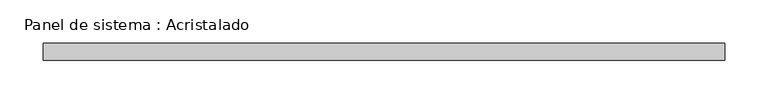
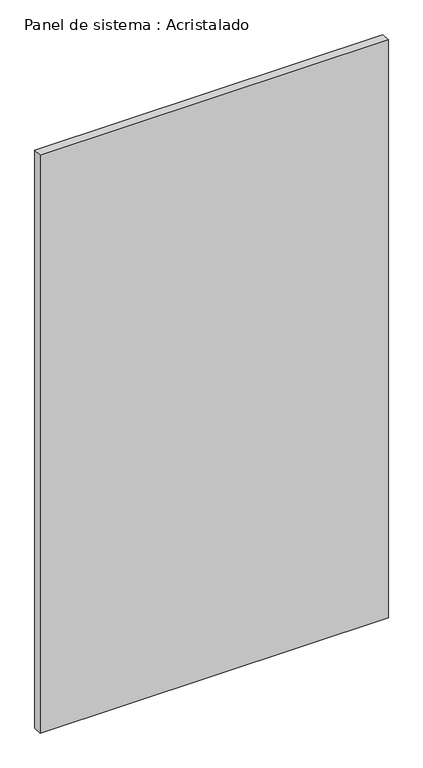
"""IFC4 building model written with IfcOpenShell, lengths in millimetres: plate geometry, Panel de sistema : Acristalado."""

from ifc_helpers import new_model, si_unit, origin, origin_with_axes, place, context, project, spatial, polyline, outline, extrude, source, transform, mapped, element, save


def panel_de_sistema_acristalado_e17c04d9(model_context):
    return source(origin(), model_context, "Body", "SweptSolid", [
        extrude(outline(polyline([(394.5, -10.0), (-394.5, -10.0), (-394.5, 10.0), (394.5, 10.0), (394.5, -10.0)])), origin_with_axes(), (0.0, 0.0, 1.0), 1382.4904288),
    ])


if __name__ == "__main__":
    model = new_model("IFC4")
    model_context = context("Model", 3, world=origin())
    ifc_project = project(units=[si_unit("LENGTHUNIT", "METRE", prefix="MILLI")], contexts=[model_context])
    site = spatial("IfcSite", under=ifc_project)
    building = spatial("IfcBuilding", under=site)
    placement = place(None, origin())
    panel_de_sistema_acristalado_shape = panel_de_sistema_acristalado_e17c04d9(model_context)
    element("IfcPlate", 1, ObjectType="Panel de sistema : Acristalado", at=placement, inside=building, context=model_context, shape_type="MappedRepresentation", body=[
        mapped(panel_de_sistema_acristalado_shape, transform((0.0, 0.0, 0.0), x_axis=(1.0, 0.0, 0.0), y_axis=(0.0, 1.0, 0.0), z_axis=(0.0, 0.0, 1.0))),
    ])
    save(model, "model.ifc")
